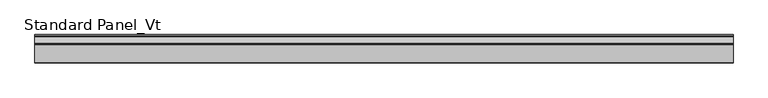
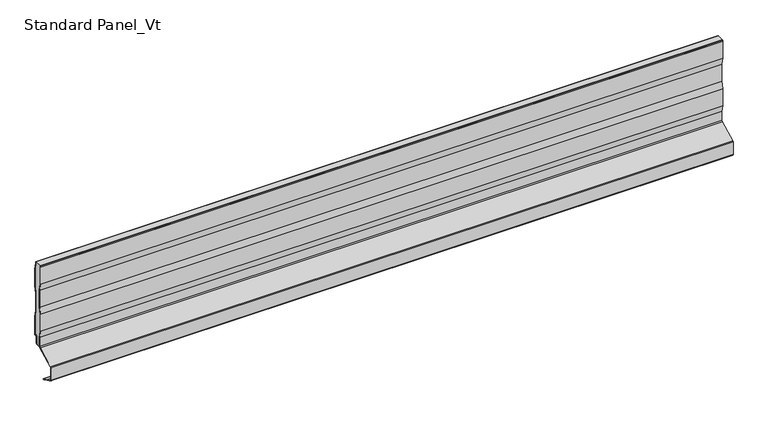
"""IFC4 building model written with IfcOpenShell, lengths in millimetres: proxy geometry, Standard Panel_Vt."""

from ifc_helpers import new_model, si_unit, point, frame, frame_2d, origin, place, context, project, spatial, polyline, circle_curve, trimmed, segment, composite_curve, outline, extrude, source, transform, mapped, element, save
from ifc_brep_helpers import plane_surface, cylinder_surface, revolved_surface, advanced_brep


def standard_panel_vt_be298a53(model_context):
    return source(origin(), model_context, "Body", "SolidModel", [
        extrude(outline(composite_curve([segment(polyline([(-20.0, 216.59102), (-19.6446991, 218.7), (-18.8334256, 218.7), (-19.2, 216.5241033), (-19.2, 178.448892), (-16.7, 163.6094989), (-16.7, 125.3634964), (-19.2, 110.5241033), (-19.2, 72.448892), (-16.7, 57.6094989), (-16.7, 37.3959608)]), True, "CONTINUOUS"), segment(trimmed(circle_curve(frame_2d((-19.8, 37.3959608)), 3.1), [point((-16.7, 37.3959608))], [point((-18.4162325, 34.6219407))], False, "CARTESIAN"), True, "CONTINUOUS"), segment(polyline([(-18.4162325, 34.6219407), (-56.910808, 15.419649)]), True, "CONTINUOUS"), segment(trimmed(circle_curve(frame_2d((-56.241243, 14.0773812)), 1.5), [point((-56.910808, 15.419649))], [point((-57.741243, 14.0773812))], True, "CARTESIAN"), True, "CONTINUOUS"), segment(polyline([(-57.741243, 14.0773812), (-57.741243, -14.0773812)]), True, "CONTINUOUS"), segment(trimmed(circle_curve(frame_2d((-56.241243, -14.0773812)), 1.5), [point((-57.741243, -14.0773812))], [point((-56.9113932, -15.4193569))], True, "CARTESIAN"), True, "CONTINUOUS"), segment(polyline([(-56.9113932, -15.4193569), (-44.7640727, -21.4854346), (-44.4066593, -20.7697142), (-31.7026227, -27.1138024)]), True, "CONTINUOUS"), segment(trimmed(circle_curve(frame_2d((-32.0600361, -27.8295227)), 0.8), [point((-31.7026227, -27.1138024))], [point((-32.4174495, -28.5452431))], False, "CARTESIAN"), True, "CONTINUOUS"), segment(polyline([(-32.4174495, -28.5452431), (-57.2688066, -16.1350773)]), True, "CONTINUOUS"), segment(trimmed(circle_curve(frame_2d((-56.241243, -14.0773812)), 2.3), [point((-57.2688066, -16.1350773))], [point((-58.541243, -14.0773812))], False, "CARTESIAN"), True, "CONTINUOUS"), segment(polyline([(-58.541243, -14.0773812), (-58.541243, 14.0773812)]), True, "CONTINUOUS"), segment(trimmed(circle_curve(frame_2d((-56.241243, 14.0773812)), 2.3), [point((-58.541243, 14.0773812))], [point((-57.2679093, 16.1355252))], False, "CARTESIAN"), True, "CONTINUOUS"), segment(polyline([(-57.2679093, 16.1355252), (-18.7733338, 35.3378168)]), True, "CONTINUOUS"), segment(trimmed(circle_curve(frame_2d((-19.8, 37.3959608)), 2.3), [point((-18.7733338, 35.3378168))], [point((-17.5, 37.3959608))], True, "CARTESIAN"), True, "CONTINUOUS"), segment(polyline([(-17.5, 37.3959608), (-17.5, 57.5425822), (-20.0, 72.3819753), (-20.0, 110.59102), (-17.5, 125.4304131), (-17.5, 163.5425822), (-20.0, 178.3819753), (-20.0, 216.59102)]), True, "CONTINUOUS")], self_intersect=False)), frame((-723.9042608, 0.0, 0.0), z_axis=(1.0, 0.0, 0.0), x_axis=(0.0, 1.0, 0.0)), (0.0, 0.0, 1.0), 1447.8085217),
        extrude(outline(composite_curve([segment(polyline([(-3.3, 215.5071471), (-3.3, 218.7), (-2.5, 218.7), (-2.5, 215.5733571), (0.0, 200.5733571), (0.0, 162.5733571), (-2.5, 147.5733571), (-2.5, 109.5733571), (0.0, 94.5733571), (0.0, 53.7672219)]), True, "CONTINUOUS"), segment(trimmed(circle_curve(frame_2d((-1.0, 53.7672219)), 1.0), [point((0.0, 53.7672219))], [point((-1.5443119, 52.928339))], False, "CARTESIAN"), True, "CONTINUOUS"), segment(polyline([(-1.5443119, 52.928339), (-3.7558601, 54.3633094)]), True, "CONTINUOUS"), segment(trimmed(circle_curve(frame_2d((-4.3001721, 53.5244265)), 1.0), [point((-3.7558601, 54.3633094))], [point((-5.3001721, 53.5244265))], True, "CARTESIAN"), True, "CONTINUOUS"), segment(polyline([(-5.3001721, 53.5244265), (-5.3001721, 37.9383564)]), True, "CONTINUOUS"), segment(trimmed(circle_curve(frame_2d((-7.4001714, 37.9383564)), 2.0999993), [point((-5.3001721, 37.9383564))], [point((-7.4001714, 35.8383571))], False, "CARTESIAN"), True, "CONTINUOUS"), segment(polyline([(-7.4001714, 35.8383571), (-9.4001722, 35.8383571), (-9.4001722, 36.6383571), (-7.4001714, 36.6383571)]), True, "CONTINUOUS"), segment(trimmed(circle_curve(frame_2d((-7.4001714, 37.9383564)), 1.2999993), [point((-7.4001714, 36.6383571))], [point((-6.1001721, 37.9383564))], True, "CARTESIAN"), True, "CONTINUOUS"), segment(polyline([(-6.1001721, 37.9383564), (-6.1001721, 53.5244265)]), True, "CONTINUOUS"), segment(trimmed(circle_curve(frame_2d((-4.3001721, 53.5244265)), 1.8), [point((-6.1001721, 53.5244265))], [point((-3.3204106, 55.0344157))], False, "CARTESIAN"), True, "CONTINUOUS"), segment(polyline([(-3.3204106, 55.0344157), (-0.8, 53.3990389), (-0.8, 94.5071471), (-3.3, 109.5071471), (-3.3, 147.6395671), (-0.8, 162.6395671), (-0.8, 200.5071471), (-3.3, 215.5071471)]), True, "CONTINUOUS")], self_intersect=False)), frame((-723.9042608, 0.0, 0.0), z_axis=(1.0, 0.0, 0.0), x_axis=(0.0, 1.0, 0.0)), (0.0, 0.0, 1.0), 1447.8085217),
        advanced_brep(
        [(-723.9042608, -19.2, 216.5241033), (-723.9042608, -18.8334256, 218.7), (-723.9042608, -3.3, 218.7), (-723.9042608, -3.3, 215.5071471), (-723.9042608, -0.8, 200.5071471), (-723.9042608, -0.8, 162.6395671), (-723.9042608, -3.3, 147.6395671), (-723.9042608, -3.3, 109.5071471), (-723.9042608, -0.8, 94.5071471), (-723.9042608, -0.8, 53.3990389), (-723.9042608, -3.3204106, 55.0344157), (-723.9042608, -6.1001721, 53.5244265), (-723.9042608, -6.1001721, 37.9383564), (-723.9042608, -7.4001714, 36.6383571), (-723.9042608, -9.4001722, 36.6383571), (-723.9042608, -9.4001722, 35.8), (-723.9042608, -17.1622719, 35.7673446), (-723.9042608, -16.7, 37.3959608), (-723.9042608, -16.7, 57.6094989), (-723.9042608, -19.2, 72.448892), (-723.9042608, -19.2, 110.5241033), (-723.9042608, -16.7, 125.3634964), (-723.9042608, -16.7, 163.6094989), (-723.9042608, -19.2, 178.448892), (723.9042608, -17.1622719, 35.7673446), (723.9042608, -9.4001722, 35.8), (723.9042608, -9.4001722, 36.6383571), (723.9042608, -7.4001714, 36.6383571), (723.9042608, -6.1001721, 37.9383564), (723.9042608, -6.1001721, 53.5244265), (723.9042608, -3.3204106, 55.0344157), (723.9042608, -0.8, 53.3990389), (723.9042608, -0.8, 94.5071471), (723.9042608, -3.3, 109.5071471), (723.9042608, -3.3, 147.6395671), (723.9042608, -0.8, 162.6395671), (723.9042608, -0.8, 200.5071471), (723.9042608, -3.3, 215.5071471), (723.9042608, -3.3, 218.7), (723.9042608, -18.8334256, 218.7), (723.9042608, -19.2, 216.5241033), (723.9042608, -19.2, 178.448892), (723.9042608, -16.7, 163.6094989), (723.9042608, -16.7, 125.3634964), (723.9042608, -19.2, 110.5241033), (723.9042608, -19.2, 72.448892), (723.9042608, -16.7, 57.6094989), (723.9042608, -16.7, 37.3959608)],
        [
            (0, 1),
            (1, 2),
            (2, 3),
            (3, 4),
            (4, 5),
            (5, 6),
            (6, 7),
            (7, 8),
            (8, 9),
            (9, 10),
            (10, 11, circle_curve(frame((-723.9042608, -4.3001721, 53.5244265), z_axis=(1.0, 0.0, 0.0), x_axis=(0.0, 0.0, 1.0)), 1.8)),
            (11, 12),
            (12, 13, circle_curve(frame((-723.9042608, -7.4001714, 37.9383564), z_axis=(-1.0, 0.0, 0.0), x_axis=(0.0, 0.0, 1.0)), 1.2999993)),
            (13, 14),
            (14, 15),
            (15, 16),
            (16, 17, circle_curve(frame((-723.9042608, -19.8, 37.3959608), z_axis=(1.0, 0.0, 0.0), x_axis=(0.0, 0.0, 1.0)), 3.1)),
            (17, 18),
            (18, 19),
            (19, 20),
            (20, 21),
            (21, 22),
            (22, 23),
            (23, 0),
            (24, 25),
            (25, 26),
            (26, 27),
            (27, 28, circle_curve(frame((723.9042608, -7.4001714, 37.9383564), z_axis=(1.0, 0.0, 0.0), x_axis=(0.0, 0.0, 1.0)), 1.2999993)),
            (28, 29),
            (29, 30, circle_curve(frame((723.9042608, -4.3001721, 53.5244265), z_axis=(-1.0, 0.0, 0.0), x_axis=(0.0, 0.0, 1.0)), 1.8)),
            (30, 31),
            (31, 32),
            (32, 33),
            (33, 34),
            (34, 35),
            (35, 36),
            (36, 37),
            (37, 38),
            (38, 39),
            (39, 40),
            (40, 41),
            (41, 42),
            (42, 43),
            (43, 44),
            (44, 45),
            (45, 46),
            (46, 47),
            (47, 24, circle_curve(frame((723.9042608, -19.8, 37.3959608), z_axis=(-1.0, 0.0, 0.0), x_axis=(0.0, 0.0, 1.0)), 3.1)),
            (15, 25),
            (24, 16),
            (47, 17),
            (46, 18),
            (45, 19),
            (44, 20),
            (43, 21),
            (42, 22),
            (41, 23),
            (40, 0),
            (39, 1),
            (14, 26),
            (2, 38),
            (37, 3),
            (36, 4),
            (35, 5),
            (34, 6),
            (33, 7),
            (32, 8),
            (31, 9),
            (30, 10),
            (29, 11),
            (28, 12),
            (27, 13),
        ],
        [
            plane_surface(frame((-723.9042608, -19.2, 500.0), z_axis=(-1.0, 0.0, 0.0), x_axis=(0.0, 1.0, 0.0))),
            plane_surface(frame((723.9042608, -19.2, 500.0), z_axis=(1.0, 0.0, 0.0), x_axis=(0.0, 1.0, 0.0))),
            plane_surface(frame((-723.9042608, -17.1622719, 35.7673446), z_axis=(0.0, 0.0, -1.0), x_axis=(1.0, 0.0, 0.0))),
            revolved_surface(polyline([(723.9042608, -19.8, 40.4959608), (-723.9042608, -19.8, 40.4959608)]), (-723.9042608, -19.8, 37.3959608), (1.0, 0.0, 0.0)),
            plane_surface(frame((-723.9042608, -16.7, 57.6094989), z_axis=(0.0, -1.0, 0.0), x_axis=(1.0, 0.0, 0.0))),
            plane_surface(frame((-723.9042608, -19.2, 72.448892), z_axis=(0.0, -0.9861039564577467, -0.16612942863435845), x_axis=(1.0, 0.0, 0.0))),
            plane_surface(frame((-723.9042608, -19.2, 110.5241033), z_axis=(0.0, -1.0, 0.0), x_axis=(1.0, 0.0, 0.0))),
            plane_surface(frame((-723.9042608, -16.7, 125.3634964), z_axis=(0.0, -0.9861039564577161, 0.1661294286345407), x_axis=(1.0, 0.0, 0.0))),
            plane_surface(frame((-723.9042608, -16.7, 163.6094989), z_axis=(0.0, -1.0, 0.0), x_axis=(1.0, 0.0, 0.0))),
            plane_surface(frame((-723.9042608, -19.2, 178.448892), z_axis=(0.0, -0.986103956457719, -0.16612942863452348), x_axis=(1.0, 0.0, 0.0))),
            plane_surface(frame((-723.9042608, -19.2, 216.5241033), z_axis=(0.0, -1.0, 0.0), x_axis=(1.0, 0.0, 0.0))),
            plane_surface(frame((-723.9042608, -16.7, 231.3634964), z_axis=(0.0, -0.9861039564577161, 0.1661294286345407), x_axis=(1.0, 0.0, 0.0))),
            plane_surface(frame((723.9042608, -9.4001722, 1035.8), z_axis=(0.0, 1.0, 0.0), x_axis=(-1.0, 0.0, 0.0))),
            plane_surface(frame((-723.9042608, -3.3, 215.5071471), z_axis=(0.0, 1.0, 0.0), x_axis=(1.0, 0.0, 0.0))),
            plane_surface(frame((-723.9042608, -0.8, 200.5071471), z_axis=(0.0, 0.9863939238321462, 0.1643989873053435), x_axis=(1.0, 0.0, 0.0))),
            plane_surface(frame((-723.9042608, -0.8, 162.6395671), z_axis=(0.0, 1.0, 0.0), x_axis=(1.0, 0.0, 0.0))),
            plane_surface(frame((-723.9042608, -3.3, 147.6395671), z_axis=(0.0, 0.9863939238321415, -0.16439898730537109), x_axis=(1.0, 0.0, 0.0))),
            plane_surface(frame((-723.9042608, -3.3, 109.5071471), z_axis=(0.0, 1.0, 0.0), x_axis=(1.0, 0.0, 0.0))),
            plane_surface(frame((-723.9042608, -0.8, 94.5071471), z_axis=(0.0, 0.9863939238321769, 0.16439898730515876), x_axis=(1.0, 0.0, 0.0))),
            plane_surface(frame((-723.9042608, -0.8, 53.3990389), z_axis=(0.0, 1.0, 0.0), x_axis=(1.0, 0.0, 0.0))),
            plane_surface(frame((-723.9042608, -3.3204106, 55.0344157), z_axis=(0.0, -0.5443119480359504, -0.8388828900539747), x_axis=(1.0, 0.0, 0.0))),
            revolved_surface(polyline([(723.9042608, -4.3001721, 55.324426499999994), (-723.9042608, -4.3001721, 55.324426499999994)]), (-723.9042608, -4.3001721, 53.5244265), (1.0, 0.0, 0.0)),
            plane_surface(frame((-723.9042608, -6.1001721, 37.9383564), z_axis=(0.0, 1.0, 0.0), x_axis=(1.0, 0.0, 0.0))),
            cylinder_surface(frame((-723.9042608, -7.4001714, 37.9383564), z_axis=(-1.0, 0.0, 0.0), x_axis=(0.0, 0.0, 1.0)), 1.2999993),
            plane_surface(frame((-723.9042608, -9.4001722, 36.6383571), z_axis=(0.0, 0.0, -1.0), x_axis=(1.0, 0.0, 0.0))),
            plane_surface(frame((723.9042608, 49.2, 218.7), z_axis=(0.0, 0.0, 1.0), x_axis=(-1.0, 0.0, 0.0))),
        ],
        [
            (0, [[1, 2, 3, 4, 5, 6, 7, 8, 9, 10, 11, 12, 13, 14, 15, 16, 17, 18, 19, 20, 21, 22, 23, 24]]),
            (1, [[25, 26, 27, 28, 29, 30, 31, 32, 33, 34, 35, 36, 37, 38, 39, 40, 41, 42, 43, 44, 45, 46, 47, 48]]),
            (2, [[-16, 49, -25, 50]]),
            (3, [[-50, -48, 51, -17]]),
            (4, [[-51, -47, 52, -18]]),
            (5, [[-52, -46, 53, -19]]),
            (6, [[-53, -45, 54, -20]]),
            (7, [[-54, -44, 55, -21]]),
            (8, [[-55, -43, 56, -22]]),
            (9, [[-56, -42, 57, -23]]),
            (10, [[-57, -41, 58, -24]]),
            (11, [[-40, 59, -1, -58]]),
            (12, [[-15, 60, -26, -49]]),
            (13, [[-3, 61, -38, 62]]),
            (14, [[-62, -37, 63, -4]]),
            (15, [[-63, -36, 64, -5]]),
            (16, [[-64, -35, 65, -6]]),
            (17, [[-65, -34, 66, -7]]),
            (18, [[-66, -33, 67, -8]]),
            (19, [[-67, -32, 68, -9]]),
            (20, [[-68, -31, 69, -10]]),
            (21, [[-69, -30, 70, -11]]),
            (22, [[-70, -29, 71, -12]]),
            (23, [[-71, -28, 72, -13]]),
            (24, [[-72, -27, -60, -14]]),
            (25, [[-59, -39, -61, -2]]),
        ],
    ),
    ])


if __name__ == "__main__":
    model = new_model("IFC4")
    model_context = context("Model", 3, world=origin())
    ifc_project = project(units=[si_unit("LENGTHUNIT", "METRE", prefix="MILLI")], contexts=[model_context])
    site = spatial("IfcSite", under=ifc_project)
    building = spatial("IfcBuilding", under=site)
    placement = place(None, origin())
    standard_panel_vt_shape = standard_panel_vt_be298a53(model_context)
    element("IfcBuildingElementProxy", 1, Name="Standard Panel_Vt", ObjectType="Standard Panel_Vt", at=placement, inside=building, context=model_context, shape_type="MappedRepresentation", body=[
        mapped(standard_panel_vt_shape, transform((0.0, 0.0, 0.0), x_axis=(1.0, 0.0, 0.0), y_axis=(0.0, 1.0, 0.0), z_axis=(0.0, 0.0, 1.0))),
    ])
    save(model, "model.ifc")
